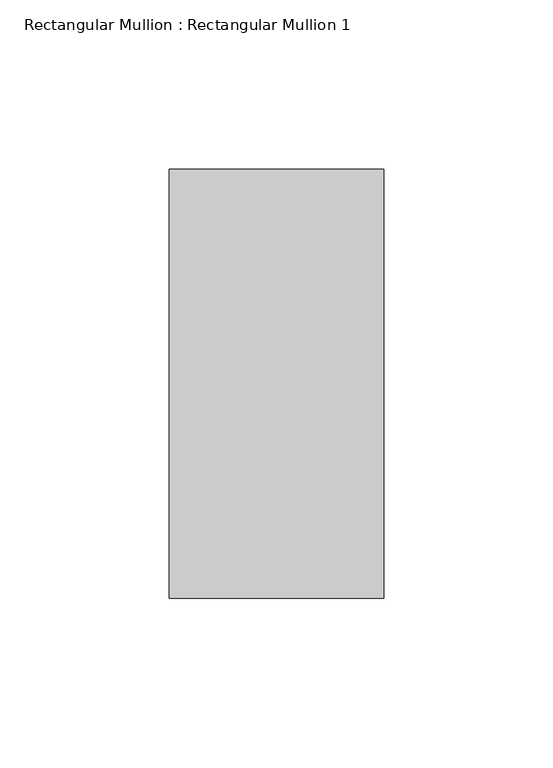
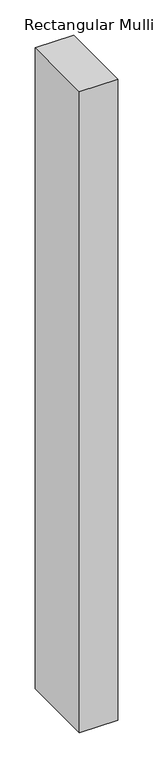
"""IFC4 building model written with IfcOpenShell, lengths in millimetres: member geometry, Rectangular Mullion : Rectangular Mullion 1."""

from ifc_helpers import new_model, si_unit, frame, origin, place, context, project, spatial, polyline, outline, extrude, source, transform, mapped, element, save


def rectangular_mullion_rectangular_mullion_1_d99f4b90(model_context):
    return source(origin(), model_context, "Body", "SweptSolid", [
        extrude(outline(polyline([(0.0, 63.5), (0.0, -63.5), (-63.5, -63.5), (-63.5, 63.5), (0.0, 63.5)])), frame((0.0, 0.0, -1117.6000041), z_axis=(0.0, 0.0, 1.0), x_axis=(1.0, 0.0, 0.0)), (0.0, 0.0, 1.0), 1117.6000041),
    ])


if __name__ == "__main__":
    model = new_model("IFC4")
    model_context = context("Model", 3, world=origin())
    ifc_project = project(units=[si_unit("LENGTHUNIT", "METRE", prefix="MILLI")], contexts=[model_context])
    site = spatial("IfcSite", under=ifc_project)
    building = spatial("IfcBuilding", under=site)
    placement = place(None, origin())
    rectangular_mullion_rectangular_mullion_1_shape = rectangular_mullion_rectangular_mullion_1_d99f4b90(model_context)
    element("IfcMember", 1, ObjectType="Rectangular Mullion : Rectangular Mullion 1", at=placement, inside=building, context=model_context, shape_type="MappedRepresentation", body=[
        mapped(rectangular_mullion_rectangular_mullion_1_shape, transform((0.0, 0.0, 0.0), x_axis=(1.0, 0.0, 0.0), y_axis=(0.0, 1.0, 0.0), z_axis=(0.0, 0.0, 1.0))),
    ])
    save(model, "model.ifc")
